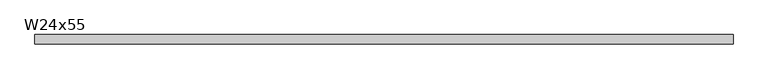
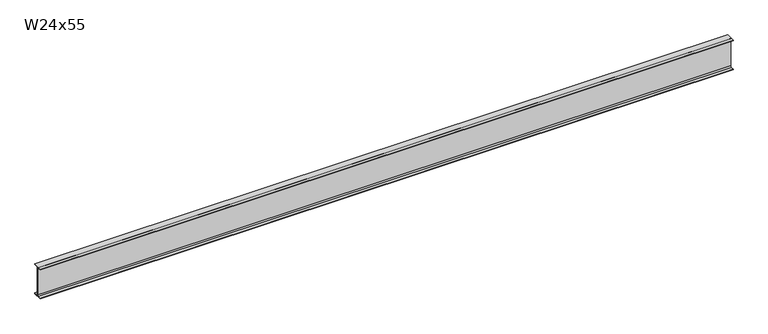
"""IFC4 building model written with IfcOpenShell, lengths in millimetres: beam geometry, W24x55."""

from ifc_helpers import new_model, si_unit, point, frame, frame_2d, origin, place, context, project, spatial, polyline, circle_curve, trimmed, segment, composite_curve, outline, extrude, source, transform, mapped, element, save


def w24x55_81ba5e9b(model_context):
    return source(origin(), model_context, "Body", "SweptSolid", [
        extrude(outline(composite_curve([segment(polyline([(89.027, -286.893), (89.027, -299.72), (-89.027, -299.72), (-89.027, -286.893), (-28.702, -286.893)]), True, "CONTINUOUS"), segment(trimmed(circle_curve(frame_2d((-28.702, -263.2075)), 23.6855), [point((-28.702, -286.893))], [point((-5.0165, -263.2075))], True, "CARTESIAN"), True, "CONTINUOUS"), segment(polyline([(-5.0165, -263.2075), (-5.0165, 263.2075)]), True, "CONTINUOUS"), segment(trimmed(circle_curve(frame_2d((-28.702, 263.2075)), 23.6855), [point((-5.0165, 263.2075))], [point((-28.702, 286.893))], True, "CARTESIAN"), True, "CONTINUOUS"), segment(polyline([(-28.702, 286.893), (-89.027, 286.893), (-89.027, 299.72), (89.027, 299.72), (89.027, 286.893), (28.702, 286.893)]), True, "CONTINUOUS"), segment(trimmed(circle_curve(frame_2d((28.702, 263.2075)), 23.6855), [point((28.702, 286.893))], [point((5.0165, 263.2075))], True, "CARTESIAN"), True, "CONTINUOUS"), segment(polyline([(5.0165, 263.2075), (5.0165, -263.2075)]), True, "CONTINUOUS"), segment(trimmed(circle_curve(frame_2d((28.702, -263.2075)), 23.6855), [point((5.0165, -263.2075))], [point((28.702, -286.893))], True, "CARTESIAN"), True, "CONTINUOUS"), segment(polyline([(28.702, -286.893), (89.027, -286.893)]), True, "CONTINUOUS")], self_intersect=False)), frame((-6543.7549583, 0.0, 0.0), z_axis=(1.0, 0.0, 0.0), x_axis=(0.0, 1.0, 0.0)), (0.0, 0.0, 1.0), 13225.6931352),
    ])


if __name__ == "__main__":
    model = new_model("IFC4")
    model_context = context("Model", 3, world=origin())
    ifc_project = project(units=[si_unit("LENGTHUNIT", "METRE", prefix="MILLI")], contexts=[model_context])
    site = spatial("IfcSite", under=ifc_project)
    building = spatial("IfcBuilding", under=site)
    placement = place(None, origin())
    w24x55_shape = w24x55_81ba5e9b(model_context)
    element("IfcBeam", 1, ObjectType="W24x55", at=placement, inside=building, context=model_context, shape_type="MappedRepresentation", body=[
        mapped(w24x55_shape, transform((0.0, 0.0, 0.0), x_axis=(1.0, 0.0, 0.0), y_axis=(0.0, 1.0, 0.0), z_axis=(0.0, 0.0, 1.0))),
    ])
    save(model, "model.ifc")
